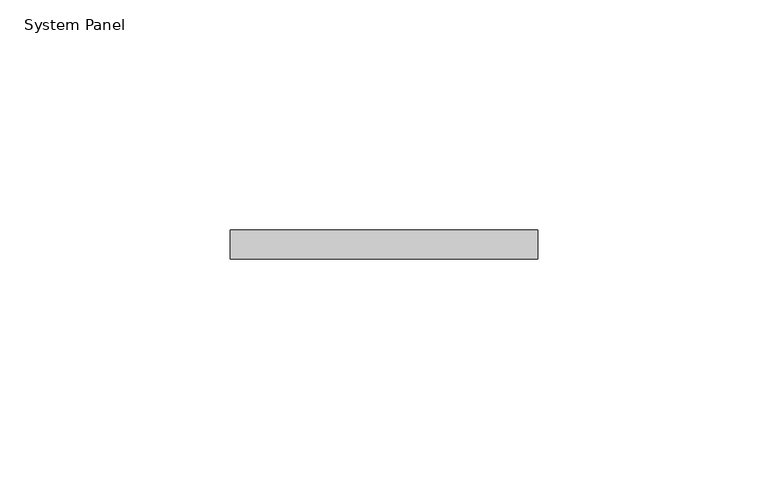
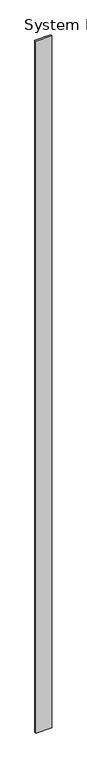
"""IFC4 building model written with IfcOpenShell, lengths in millimetres: plate geometry, System Panel."""

from ifc_helpers import new_model, si_unit, origin, origin_with_axes, place, context, project, spatial, polyline, outline, extrude, source, transform, mapped, element, save


def system_panel_1fc876b8(model_context):
    return source(origin(), model_context, "Body", "SweptSolid", [
        extrude(outline(polyline([(33.4064238, 0.0), (-33.4064238, 0.0), (-33.4064238, 6.35), (33.4064238, 6.35), (33.4064238, 0.0)])), origin_with_axes(), (0.0, 0.0, 1.0), 3048.0),
    ])


if __name__ == "__main__":
    model = new_model("IFC4")
    model_context = context("Model", 3, world=origin())
    ifc_project = project(units=[si_unit("LENGTHUNIT", "METRE", prefix="MILLI")], contexts=[model_context])
    site = spatial("IfcSite", under=ifc_project)
    building = spatial("IfcBuilding", under=site)
    placement = place(None, origin())
    system_panel_shape = system_panel_1fc876b8(model_context)
    element("IfcPlate", 1, ObjectType="System Panel", at=placement, inside=building, context=model_context, shape_type="MappedRepresentation", body=[
        mapped(system_panel_shape, transform((0.0, 0.0, 0.0), x_axis=(1.0, 0.0, 0.0), y_axis=(0.0, 1.0, 0.0), z_axis=(0.0, 0.0, 1.0))),
    ])
    save(model, "model.ifc")
